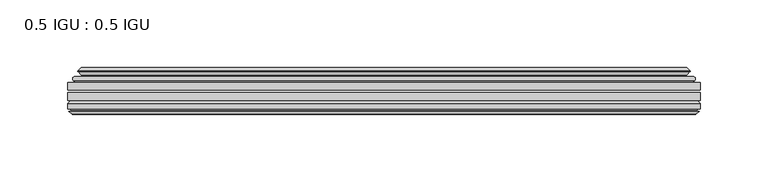
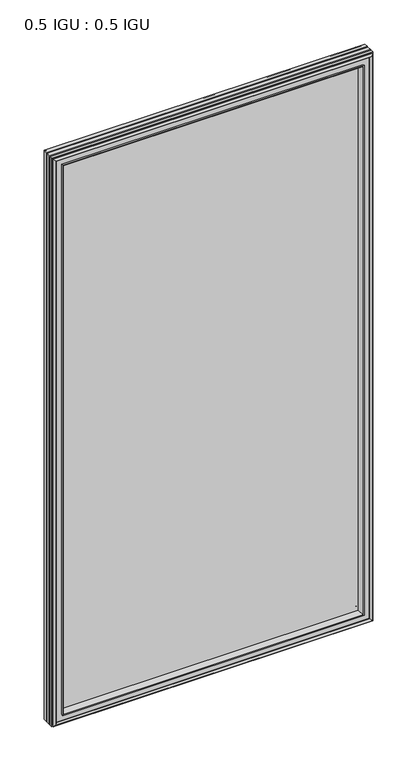
"""IFC4 building model written with IfcOpenShell, lengths in millimetres: plate geometry, 0.5 IGU : 0.5 IGU."""

from ifc_helpers import new_model, si_unit, frame, origin, place, context, project, spatial, polyline, ellipse_curve, outline, extrude, faceted_brep, source, transform, mapped, element, save
from ifc_brep_helpers import plane_surface, cylinder_surface, revolved_surface, advanced_brep


def plate_0_5_igu_0_5_igu_2bba60f0(model_context):
    return source(origin(), model_context, "Body", "SolidModel", [
        extrude(outline(polyline([(233.376675, -55.82285), (233.376675, -61.48705), (-233.3625, -61.48705), (-233.3625, -55.82285), (233.376675, -55.82285)])), frame((0.0, 0.0, -14.2875), z_axis=(0.0, 0.0, 1.0), x_axis=(1.0, 0.0, 0.0)), (0.0, 0.0, 1.0), 873.1287979),
        extrude(outline(polyline([(-233.3625, -69.05625), (-233.3625, -63.39205), (233.376675, -63.39205), (233.376675, -69.05625), (-233.3625, -69.05625)])), frame((0.0, 0.0, -14.2875), z_axis=(0.0, 0.0, 1.0), x_axis=(1.0, 0.0, 0.0)), (0.0, 0.0, 1.0), 873.1287979),
        advanced_brep(
        [(-229.2599626, -54.3724927, 854.7349626), (-228.2154378, -51.60645, 853.6904378), (-228.2154378, -51.60645, -9.1404378), (-229.2599626, -54.3724927, -10.1849626), (-227.623517, -55.82285, 853.098517), (-227.623517, -55.82285, -8.548517), (-219.075, -45.63745, 844.55), (-215.4922761, -55.82285, 840.9672761), (-215.4922761, -55.82285, 3.5827239), (-219.075, -45.63745, 0.0), (-224.2609109, -46.8185491, 849.7359109), (-224.2609109, -46.8185491, -5.1859109), (-223.4638893, -44.8183085, 848.9388893), (-223.4638893, -44.8183085, -4.3888893), (-225.7476111, -47.135817, 851.2226111), (-225.7476111, -47.135817, -6.6726111), (-225.7476111, -47.8489429, 851.2226111), (-225.7476111, -47.8489429, -6.6726111), (-223.4638893, -50.1664515, 848.9388893), (-223.4638893, -50.1664515, -4.3888893), (-224.2532501, -48.1854367, 849.7282501), (-224.2532501, -48.1854367, -5.1782501), (-221.7294379, -48.027045, 847.2044379), (-221.7294379, -48.027045, -2.6544379), (-220.7036217, -48.7147544, 846.1786217), (-220.7036217, -48.7147544, -1.6286217), (-220.8220288, -50.1092231, 846.2970288), (-220.8220288, -50.1092231, -1.7470288), (-221.4237748, -51.60645, 846.8987748), (-221.4237748, -51.60645, -2.3487748), (228.2154378, -51.60645, -9.1404378), (229.2599626, -54.3724927, -10.1849626), (227.623517, -55.82285, -8.548517), (215.4922761, -55.82285, 3.5827239), (219.075, -45.63745, 0.0), (224.2609109, -46.8185491, -5.1859109), (223.4638893, -44.8183085, -4.3888893), (225.7476111, -47.135817, -6.6726111), (225.7476111, -47.8489429, -6.6726111), (223.4638893, -50.1664515, -4.3888893), (224.2532501, -48.1854367, -5.1782501), (221.7294379, -48.027045, -2.6544379), (220.7036217, -48.7147544, -1.6286217), (220.8220288, -50.1092231, -1.7470288), (221.4237748, -51.60645, -2.3487748), (228.2154378, -51.60645, 853.6904378), (229.2599626, -54.3724927, 854.7349626), (227.623517, -55.82285, 853.098517), (215.4922761, -55.82285, 840.9672761), (219.075, -45.63745, 844.55), (224.2609109, -46.8185491, 849.7359109), (223.4638893, -44.8183085, 848.9388893), (225.7476111, -47.135817, 851.2226111), (225.7476111, -47.8489429, 851.2226111), (223.4638893, -50.1664515, 848.9388893), (224.2532501, -48.1854367, 849.7282501), (221.7294379, -48.027045, 847.2044379), (220.7036217, -48.7147544, 846.1786217), (220.8220288, -50.1092231, 846.2970288), (221.4237748, -51.60645, 846.8987748)],
        [
            (0, 1, ellipse_curve(frame((-228.2070703, -53.1898501, 853.6820703), z_axis=(-0.7071067811865475, 0.0, -0.7071067811865475), x_axis=(-0.7071067811865474, 0.0, 0.7071067811865476)), 2.2392971, 1.5834222)),
            (1, 2),
            (2, 3, ellipse_curve(frame((-228.2070703, -53.1898501, -9.1320703), z_axis=(-0.7071067811865475, 0.0, 0.7071067811865475), x_axis=(0.7071067811865474, 0.0, 0.7071067811865476)), 2.2392971, 1.5834222)),
            (3, 0),
            (4, 0),
            (3, 5),
            (5, 4),
            (6, 7, ellipse_curve(frame((-186.795246, -40.0058297, 812.270246), z_axis=(0.7071067811865475, 0.0, 0.7071067811865475), x_axis=(0.7071067811865474, 0.0, -0.7071067811865476)), 46.3399971, 32.7673262)),
            (7, 8),
            (8, 9, ellipse_curve(frame((-186.795246, -40.0058297, 32.279754), z_axis=(0.7071067811865475, 0.0, -0.7071067811865475), x_axis=(-0.7071067811865474, 0.0, -0.7071067811865476)), 46.3399971, 32.7673262)),
            (9, 6),
            (10, 6),
            (9, 11),
            (11, 10),
            (12, 10),
            (11, 13),
            (13, 12),
            (14, 12),
            (13, 15),
            (15, 14),
            (16, 14, ellipse_curve(frame((-225.3857729, -47.49238, 850.8607729), z_axis=(-0.7071067811865475, 0.0, -0.7071067811865475), x_axis=(-0.7071067811865474, 0.0, 0.7071067811865476)), 0.7184205, 0.508)),
            (15, 17, ellipse_curve(frame((-225.3857729, -47.49238, -6.3107729), z_axis=(-0.7071067811865475, 0.0, 0.7071067811865475), x_axis=(0.7071067811865474, 0.0, 0.7071067811865476)), 0.7184205, 0.508)),
            (17, 16),
            (18, 16),
            (17, 19),
            (19, 18),
            (20, 18),
            (19, 21),
            (21, 20),
            (22, 20),
            (21, 23),
            (23, 22),
            (24, 22, ellipse_curve(frame((-221.6658, -49.04105, 847.1408), z_axis=(0.7071067811865475, 0.0, 0.7071067811865475), x_axis=(0.7071067811865474, 0.0, -0.7071067811865476)), 1.436841, 1.016)),
            (23, 25, ellipse_curve(frame((-221.6658, -49.04105, -2.5908), z_axis=(0.7071067811865475, 0.0, -0.7071067811865475), x_axis=(-0.7071067811865474, 0.0, -0.7071067811865476)), 1.436841, 1.016)),
            (25, 24),
            (26, 24, ellipse_curve(frame((-223.0374, -49.21885, 848.5124), z_axis=(0.7071067811865475, 0.0, 0.7071067811865475), x_axis=(0.7071067811865474, 0.0, -0.7071067811865476)), 3.3765763, 2.3876)),
            (25, 27, ellipse_curve(frame((-223.0374, -49.21885, -3.9624), z_axis=(0.7071067811865475, 0.0, -0.7071067811865475), x_axis=(-0.7071067811865474, 0.0, -0.7071067811865476)), 3.3765763, 2.3876)),
            (27, 26),
            (28, 26),
            (27, 29),
            (29, 28),
            (2, 30),
            (30, 31, ellipse_curve(frame((228.2070703, -53.1898501, -9.1320703), z_axis=(-0.7071067811865475, 0.0, -0.7071067811865475), x_axis=(-0.7071067811865476, 0.0, 0.7071067811865474)), 2.2392971, 1.5834222)),
            (31, 3),
            (31, 32),
            (32, 5),
            (8, 33),
            (33, 34, ellipse_curve(frame((186.795246, -40.0058297, 32.279754), z_axis=(0.7071067811865475, 0.0, 0.7071067811865475), x_axis=(0.7071067811865476, 0.0, -0.7071067811865474)), 46.3399971, 32.7673262)),
            (34, 9),
            (34, 35),
            (35, 11),
            (35, 36),
            (36, 13),
            (36, 37),
            (37, 15),
            (37, 38, ellipse_curve(frame((225.3857729, -47.49238, -6.3107729), z_axis=(-0.7071067811865475, 0.0, -0.7071067811865475), x_axis=(-0.7071067811865476, 0.0, 0.7071067811865474)), 0.7184205, 0.508)),
            (38, 17),
            (38, 39),
            (39, 19),
            (39, 40),
            (40, 21),
            (40, 41),
            (41, 23),
            (41, 42, ellipse_curve(frame((221.6658, -49.04105, -2.5908), z_axis=(0.7071067811865475, 0.0, 0.7071067811865475), x_axis=(0.7071067811865476, 0.0, -0.7071067811865474)), 1.436841, 1.016)),
            (42, 25),
            (42, 43, ellipse_curve(frame((223.0374, -49.21885, -3.9624), z_axis=(0.7071067811865475, 0.0, 0.7071067811865475), x_axis=(0.7071067811865476, 0.0, -0.7071067811865474)), 3.3765763, 2.3876)),
            (43, 27),
            (43, 44),
            (44, 29),
            (30, 45),
            (45, 46, ellipse_curve(frame((228.2070703, -53.1898501, 853.6820703), z_axis=(0.7071067811865475, 0.0, -0.7071067811865475), x_axis=(-0.7071067811865474, 0.0, -0.7071067811865476)), 2.2392971, 1.5834222)),
            (46, 31),
            (46, 47),
            (47, 32),
            (33, 48),
            (48, 49, ellipse_curve(frame((186.795246, -40.0058297, 812.270246), z_axis=(-0.7071067811865475, 0.0, 0.7071067811865475), x_axis=(0.7071067811865474, 0.0, 0.7071067811865476)), 46.3399971, 32.7673262)),
            (49, 34),
            (49, 50),
            (50, 35),
            (50, 51),
            (51, 36),
            (51, 52),
            (52, 37),
            (52, 53, ellipse_curve(frame((225.3857729, -47.49238, 850.8607729), z_axis=(0.7071067811865475, 0.0, -0.7071067811865475), x_axis=(-0.7071067811865474, 0.0, -0.7071067811865476)), 0.7184205, 0.508)),
            (53, 38),
            (53, 54),
            (54, 39),
            (54, 55),
            (55, 40),
            (55, 56),
            (56, 41),
            (56, 57, ellipse_curve(frame((221.6658, -49.04105, 847.1408), z_axis=(-0.7071067811865475, 0.0, 0.7071067811865475), x_axis=(0.7071067811865474, 0.0, 0.7071067811865476)), 1.436841, 1.016)),
            (57, 42),
            (57, 58, ellipse_curve(frame((223.0374, -49.21885, 848.5124), z_axis=(-0.7071067811865475, 0.0, 0.7071067811865475), x_axis=(0.7071067811865474, 0.0, 0.7071067811865476)), 3.3765763, 2.3876)),
            (58, 43),
            (58, 59),
            (59, 44),
            (45, 1),
            (0, 46),
            (4, 47),
            (7, 48),
            (6, 49),
            (10, 50),
            (12, 51),
            (14, 52),
            (16, 53),
            (18, 54),
            (20, 55),
            (22, 56),
            (24, 57),
            (26, 58),
            (28, 59),
        ],
        [
            cylinder_surface(frame((-228.2070703, -53.1898501, 876.3), z_axis=(0.0, 0.0, 1.0), x_axis=(-1.0, 0.0, 0.0)), 1.5834222),
            plane_surface(frame((-229.2599626, -54.3724927, 854.7349626), z_axis=(-0.6632745773184306, -0.7483761320907135, 0.0), x_axis=(0.0, 0.0, -1.0))),
            revolved_surface(polyline([(-219.56257219999998, -40.0058297, -0.48757218957496207), (-219.56257219999998, -40.0058297, 845.037572189575)]), (-186.795246, -40.0058297, 876.3), (0.0, 0.0, -1.0)),
            plane_surface(frame((-219.075, -45.63745, 844.55), z_axis=(-0.22206498442787428, 0.975031867525902, 0.0), x_axis=(0.0, 0.0, -1.0))),
            plane_surface(frame((-224.2609109, -46.8185491, 849.7359109), z_axis=(0.928968268563027, -0.37015936568323066, 0.0), x_axis=(0.0, 0.0, -1.0))),
            plane_surface(frame((-223.4638893, -44.8183085, 848.9388893), z_axis=(-0.7122798501733482, 0.7018955869907096, 0.0), x_axis=(0.0, 0.0, -1.0))),
            cylinder_surface(frame((-225.3857729, -47.49238, 876.3), z_axis=(0.0, 0.0, 1.0), x_axis=(-1.0, 0.0, 0.0)), 0.508),
            plane_surface(frame((-225.7476111, -47.8489429, 851.2226111), z_axis=(-0.7122798501732925, -0.701895586990766, 0.0), x_axis=(0.0, 0.0, -1.0))),
            plane_surface(frame((-223.4638893, -50.1664515, 848.9388893), z_axis=(0.9289682685628707, 0.3701593656836228, 0.0), x_axis=(0.0, 0.0, -1.0))),
            plane_surface(frame((-224.2532501, -48.1854367, 849.7282501), z_axis=(0.06263570119284978, -0.9980364567169279, 0.0), x_axis=(0.0, 0.0, -1.0))),
            revolved_surface(polyline([(-222.68179999999998, -49.04105, -3.606800014586838), (-222.68179999999998, -49.04105, 848.1568000145869)]), (-221.6658, -49.04105, 876.3), (0.0, 0.0, -1.0)),
            revolved_surface(polyline([(-225.42499999999998, -49.21885, -6.3499999989237494), (-225.42499999999998, -49.21885, 850.8999999989237)]), (-223.0374, -49.21885, 876.3), (0.0, 0.0, -1.0)),
            plane_surface(frame((-220.8220288, -50.1092231, 846.2970288), z_axis=(-0.9278652925428184, 0.3729155385532094, 0.0), x_axis=(0.0, 0.0, -1.0))),
            cylinder_surface(frame((-250.825, -53.1898501, -9.1320703), z_axis=(-1.0, 0.0, 0.0), x_axis=(0.0, 0.0, -1.0)), 1.5834222),
            plane_surface(frame((-229.2599626, -54.3724927, -10.1849626), z_axis=(0.0, -0.7483761320907157, -0.6632745773184283), x_axis=(1.0, 0.0, 0.0))),
            revolved_surface(polyline([(219.5625721895749, -40.0058297, -0.48757220000000245), (-219.56257218957492, -40.0058297, -0.48757220000000245)]), (-250.825, -40.0058297, 32.279754), (1.0, 0.0, 0.0)),
            plane_surface(frame((-219.075, -45.63745, 0.0), z_axis=(0.0, 0.9750318675259013, -0.22206498442787745), x_axis=(1.0, 0.0, 0.0))),
            plane_surface(frame((-224.2609109, -46.8185491, -5.1859109), z_axis=(0.0, -0.37015936568322766, 0.9289682685630283), x_axis=(1.0, 0.0, 0.0))),
            plane_surface(frame((-223.4638893, -44.8183085, -4.3888893), z_axis=(0.0, 0.7018955869907073, -0.7122798501733504), x_axis=(1.0, 0.0, 0.0))),
            cylinder_surface(frame((-250.825, -47.49238, -6.3107729), z_axis=(-1.0, 0.0, 0.0), x_axis=(0.0, 0.0, -1.0)), 0.508),
            plane_surface(frame((-225.7476111, -47.8489429, -6.6726111), z_axis=(0.0, -0.7018955869907684, -0.7122798501732903), x_axis=(1.0, 0.0, 0.0))),
            plane_surface(frame((-223.4638893, -50.1664515, -4.3888893), z_axis=(0.0, 0.37015936568362584, 0.9289682685628696), x_axis=(1.0, 0.0, 0.0))),
            plane_surface(frame((-224.2532501, -48.1854367, -5.1782501), z_axis=(0.0, -0.9980364567169276, 0.06263570119285301), x_axis=(1.0, 0.0, 0.0))),
            revolved_surface(polyline([(222.68180001458683, -49.04105, -3.6068000000000002), (-222.68180001458686, -49.04105, -3.6068000000000002)]), (-250.825, -49.04105, -2.5908), (1.0, 0.0, 0.0)),
            revolved_surface(polyline([(225.4249999989238, -49.21885, -6.35), (-225.42499999892377, -49.21885, -6.35)]), (-250.825, -49.21885, -3.9624), (1.0, 0.0, 0.0)),
            plane_surface(frame((-220.8220288, -50.1092231, -1.7470288), z_axis=(0.0, 0.3729155385532064, -0.9278652925428196), x_axis=(1.0, 0.0, 0.0))),
            cylinder_surface(frame((228.2070703, -53.1898501, -31.75), z_axis=(0.0, 0.0, -1.0), x_axis=(1.0, 0.0, 0.0)), 1.5834222),
            plane_surface(frame((229.2599626, -54.3724927, -10.1849626), z_axis=(0.6632745773184259, -0.7483761320907178, 0.0), x_axis=(0.0, 0.0, 1.0))),
            revolved_surface(polyline([(219.56257219999998, -40.0058297, 845.037572189575), (219.56257219999998, -40.0058297, -0.48757218957494075)]), (186.795246, -40.0058297, -31.75), (0.0, 0.0, 1.0)),
            plane_surface(frame((219.075, -45.63745, 0.0), z_axis=(0.22206498442788059, 0.9750318675259005, 0.0), x_axis=(0.0, 0.0, 1.0))),
            plane_surface(frame((224.2609109, -46.8185491, -5.1859109), z_axis=(-0.9289682685630295, -0.37015936568322466, 0.0), x_axis=(0.0, 0.0, 1.0))),
            plane_surface(frame((223.4638893, -44.8183085, -4.3888893), z_axis=(0.7122798501733526, 0.701895586990705, 0.0), x_axis=(0.0, 0.0, 1.0))),
            cylinder_surface(frame((225.3857729, -47.49238, -31.75), z_axis=(0.0, 0.0, -1.0), x_axis=(1.0, 0.0, 0.0)), 0.508),
            plane_surface(frame((225.7476111, -47.8489429, -6.6726111), z_axis=(0.712279850173288, -0.7018955869907706, 0.0), x_axis=(0.0, 0.0, 1.0))),
            plane_surface(frame((223.4638893, -50.1664515, -4.3888893), z_axis=(-0.9289682685628684, 0.37015936568362884, 0.0), x_axis=(0.0, 0.0, 1.0))),
            plane_surface(frame((224.2532501, -48.1854367, -5.1782501), z_axis=(-0.06263570119285625, -0.9980364567169274, 0.0), x_axis=(0.0, 0.0, 1.0))),
            revolved_surface(polyline([(222.68179999999998, -49.04105, 848.1568000145869), (222.68179999999998, -49.04105, -3.606800014586863)]), (221.6658, -49.04105, -31.75), (0.0, 0.0, 1.0)),
            revolved_surface(polyline([(225.42499999999998, -49.21885, 850.8999999989237), (225.42499999999998, -49.21885, -6.349999998923781)]), (223.0374, -49.21885, -31.75), (0.0, 0.0, 1.0)),
            plane_surface(frame((220.8220288, -50.1092231, -1.7470288), z_axis=(0.9278652925428208, 0.3729155385532034, 0.0), x_axis=(0.0, 0.0, 1.0))),
            cylinder_surface(frame((250.825, -53.1898501, 853.6820703), z_axis=(1.0, 0.0, 0.0), x_axis=(0.0, 0.0, 1.0)), 1.5834222),
            plane_surface(frame((229.2599626, -54.3724927, 854.7349626), z_axis=(0.0, -0.7483761320907157, 0.6632745773184283), x_axis=(-1.0, 0.0, 0.0))),
            plane_surface(frame((227.623517, -55.82285, 853.098517), z_axis=(0.0, -1.0, 0.0), x_axis=(-1.0, 0.0, 0.0))),
            revolved_surface(polyline([(-219.5625721895749, -40.0058297, 845.0375722), (219.56257218957492, -40.0058297, 845.0375722)]), (250.825, -40.0058297, 812.270246), (-1.0, 0.0, 0.0)),
            plane_surface(frame((219.075, -45.63745, 844.55), z_axis=(0.0, 0.9750318675259012, 0.22206498442787742), x_axis=(-1.0, 0.0, 0.0))),
            plane_surface(frame((224.2609109, -46.8185491, 849.7359109), z_axis=(0.0, -0.37015936568322766, -0.9289682685630283), x_axis=(-1.0, 0.0, 0.0))),
            plane_surface(frame((223.4638893, -44.8183085, 848.9388893), z_axis=(0.0, 0.7018955869907073, 0.7122798501733504), x_axis=(-1.0, 0.0, 0.0))),
            cylinder_surface(frame((250.825, -47.49238, 850.8607729), z_axis=(1.0, 0.0, 0.0), x_axis=(0.0, 0.0, 1.0)), 0.508),
            plane_surface(frame((225.7476111, -47.8489429, 851.2226111), z_axis=(0.0, -0.7018955869907684, 0.7122798501732903), x_axis=(-1.0, 0.0, 0.0))),
            plane_surface(frame((223.4638893, -50.1664515, 848.9388893), z_axis=(0.0, 0.37015936568362584, -0.9289682685628696), x_axis=(-1.0, 0.0, 0.0))),
            plane_surface(frame((224.2532501, -48.1854367, 849.7282501), z_axis=(0.0, -0.9980364567169276, -0.06263570119285301), x_axis=(-1.0, 0.0, 0.0))),
            revolved_surface(polyline([(-222.68180001458683, -49.04105, 848.1568), (222.68180001458686, -49.04105, 848.1568)]), (250.825, -49.04105, 847.1408), (-1.0, 0.0, 0.0)),
            revolved_surface(polyline([(-225.4249999989238, -49.21885, 850.9), (225.42499999892377, -49.21885, 850.9)]), (250.825, -49.21885, 848.5124), (-1.0, 0.0, 0.0)),
            plane_surface(frame((220.8220288, -50.1092231, 846.2970288), z_axis=(0.0, 0.3729155385532064, 0.9278652925428196), x_axis=(-1.0, 0.0, 0.0))),
            plane_surface(frame((221.4237748, -51.60645, 846.8987748), z_axis=(0.0, 1.0, 0.0), x_axis=(-1.0, 0.0, 0.0))),
        ],
        [
            (0, [[1, 2, 3, 4]]),
            (1, [[5, -4, 6, 7]]),
            (2, [[8, 9, 10, 11]]),
            (3, [[12, -11, 13, 14]]),
            (4, [[15, -14, 16, 17]]),
            (5, [[18, -17, 19, 20]]),
            (6, [[21, -20, 22, 23]]),
            (7, [[24, -23, 25, 26]]),
            (8, [[27, -26, 28, 29]]),
            (9, [[30, -29, 31, 32]]),
            (10, [[33, -32, 34, 35]]),
            (11, [[36, -35, 37, 38]]),
            (12, [[39, -38, 40, 41]]),
            (13, [[-3, 42, 43, 44]]),
            (14, [[-6, -44, 45, 46]]),
            (15, [[-10, 47, 48, 49]]),
            (16, [[-13, -49, 50, 51]]),
            (17, [[-16, -51, 52, 53]]),
            (18, [[-19, -53, 54, 55]]),
            (19, [[-22, -55, 56, 57]]),
            (20, [[-25, -57, 58, 59]]),
            (21, [[-28, -59, 60, 61]]),
            (22, [[-31, -61, 62, 63]]),
            (23, [[-34, -63, 64, 65]]),
            (24, [[-37, -65, 66, 67]]),
            (25, [[-40, -67, 68, 69]]),
            (26, [[-43, 70, 71, 72]]),
            (27, [[-45, -72, 73, 74]]),
            (28, [[-48, 75, 76, 77]]),
            (29, [[-50, -77, 78, 79]]),
            (30, [[-52, -79, 80, 81]]),
            (31, [[-54, -81, 82, 83]]),
            (32, [[-56, -83, 84, 85]]),
            (33, [[-58, -85, 86, 87]]),
            (34, [[-60, -87, 88, 89]]),
            (35, [[-62, -89, 90, 91]]),
            (36, [[-64, -91, 92, 93]]),
            (37, [[-66, -93, 94, 95]]),
            (38, [[-68, -95, 96, 97]]),
            (39, [[-71, 98, -1, 99]]),
            (40, [[-73, -99, -5, 100]]),
            (41, [[-46, -74, -100, -7], [101, -75, -47, -9]]),
            (42, [[-76, -101, -8, 102]]),
            (43, [[-78, -102, -12, 103]]),
            (44, [[-80, -103, -15, 104]]),
            (45, [[-82, -104, -18, 105]]),
            (46, [[-84, -105, -21, 106]]),
            (47, [[-86, -106, -24, 107]]),
            (48, [[-88, -107, -27, 108]]),
            (49, [[-90, -108, -30, 109]]),
            (50, [[-92, -109, -33, 110]]),
            (51, [[-94, -110, -36, 111]]),
            (52, [[-96, -111, -39, 112]]),
            (53, [[-98, -70, -42, -2], [-69, -97, -112, -41]]),
        ],
    ),
        faceted_brep([(-215.2207827, -69.05625, 840.6957827), (-217.7870798, -77.94625, 843.2620798), (-217.7870798, -77.94625, 1.2879202), (-215.2207827, -69.05625, 3.8542173), (-233.3752, -71.2633102, 858.8502), (-231.1681398, -69.05625, 856.6431398), (-231.1681398, -69.05625, -12.0931398), (-233.3752, -71.2633102, -14.3002), (-233.3752, -75.40625, 858.8502), (-233.3752, -75.40625, -14.3002), (-230.9561775, -76.58989, 856.4311775), (-231.8258, -75.40625, 857.3008), (-231.8258, -75.40625, -12.7508), (-230.9561775, -76.58989, -11.8811775), (-230.759, -77.8875884, 856.234), (-230.759, -77.8875884, -11.684), (-231.73466, -77.3578917, 857.20966), (-231.73466, -77.3578917, -12.65966), (-230.2002, -79.1749663, 855.6752), (-232.5273305, -77.3578917, 858.0023305), (-232.5273305, -77.3578917, -13.4523305), (-230.2002, -79.1749663, -11.1252), (-227.8730695, -77.3578917, 853.3480695), (-227.8730695, -77.3578917, -8.7980695), (-229.6414, -77.8875884, 855.1164), (-228.66574, -77.3578917, 854.14074), (-228.66574, -77.3578917, -9.59074), (-229.6414, -77.8875884, -10.5664), (-229.4442225, -76.58989, 854.9192225), (-229.4442225, -76.58989, -10.3692225), (-228.5746, -75.40625, 854.0496), (-228.5746, -75.40625, -9.4996), (-219.4263667, -77.94625, 844.9013667), (-218.8972, -75.40625, 844.3722), (-218.8972, -75.40625, 0.1778), (-219.4263667, -77.94625, -0.3513667), (217.7870798, -77.94625, 1.2879202), (215.2207827, -69.05625, 3.8542173), (231.1681398, -69.05625, -12.0931398), (233.3752, -71.2633102, -14.3002), (233.3752, -75.40625, -14.3002), (231.8258, -75.40625, -12.7508), (230.9561775, -76.58989, -11.8811775), (230.759, -77.8875884, -11.684), (231.73466, -77.3578917, -12.65966), (232.5273305, -77.3578917, -13.4523305), (230.2002, -79.1749663, -11.1252), (227.8730695, -77.3578917, -8.7980695), (228.66574, -77.3578917, -9.59074), (229.6414, -77.8875884, -10.5664), (229.4442225, -76.58989, -10.3692225), (228.5746, -75.40625, -9.4996), (218.8972, -75.40625, 0.1778), (219.4263667, -77.94625, -0.3513667), (217.7870798, -77.94625, 843.2620798), (215.2207827, -69.05625, 840.6957827), (231.1681398, -69.05625, 856.6431398), (233.3752, -71.2633102, 858.8502), (233.3752, -75.40625, 858.8502), (231.8258, -75.40625, 857.3008), (230.9561775, -76.58989, 856.4311775), (230.759, -77.8875884, 856.234), (231.73466, -77.3578917, 857.20966), (232.5273305, -77.3578917, 858.0023305), (230.2002, -79.1749663, 855.6752), (227.8730695, -77.3578917, 853.3480695), (228.66574, -77.3578917, 854.14074), (229.6414, -77.8875884, 855.1164), (229.4442225, -76.58989, 854.9192225), (228.5746, -75.40625, 854.0496), (218.8972, -75.40625, 844.3722), (219.4263667, -77.94625, 844.9013667)], [[[0, 1, 2, 3]], [[4, 5, 6, 7]], [[8, 4, 7, 9]], [[10, 11, 12, 13]], [[14, 10, 13, 15]], [[16, 14, 15, 17]], [[18, 19, 20, 21]], [[22, 18, 21, 23]], [[24, 25, 26, 27]], [[28, 24, 27, 29]], [[30, 28, 29, 31]], [[32, 33, 34, 35]], [[3, 2, 36, 37]], [[7, 6, 38, 39]], [[9, 7, 39, 40]], [[13, 12, 41, 42]], [[15, 13, 42, 43]], [[17, 15, 43, 44]], [[21, 20, 45, 46]], [[23, 21, 46, 47]], [[27, 26, 48, 49]], [[29, 27, 49, 50]], [[31, 29, 50, 51]], [[35, 34, 52, 53]], [[37, 36, 54, 55]], [[39, 38, 56, 57]], [[40, 39, 57, 58]], [[42, 41, 59, 60]], [[43, 42, 60, 61]], [[44, 43, 61, 62]], [[46, 45, 63, 64]], [[47, 46, 64, 65]], [[49, 48, 66, 67]], [[50, 49, 67, 68]], [[51, 50, 68, 69]], [[53, 52, 70, 71]], [[55, 54, 1, 0]], [[5, 56, 38, 6], [3, 37, 55, 0]], [[57, 56, 5, 4]], [[58, 57, 4, 8]], [[9, 40, 58, 8], [11, 59, 41, 12]], [[60, 59, 11, 10]], [[61, 60, 10, 14]], [[62, 61, 14, 16]], [[19, 63, 45, 20], [17, 44, 62, 16]], [[64, 63, 19, 18]], [[65, 64, 18, 22]], [[25, 66, 48, 26], [23, 47, 65, 22]], [[67, 66, 25, 24]], [[68, 67, 24, 28]], [[69, 68, 28, 30]], [[31, 51, 69, 30], [33, 70, 52, 34]], [[71, 70, 33, 32]], [[35, 53, 71, 32], [1, 54, 36, 2]]]),
    ])


if __name__ == "__main__":
    model = new_model("IFC4")
    model_context = context("Model", 3, world=origin())
    ifc_project = project(units=[si_unit("LENGTHUNIT", "METRE", prefix="MILLI")], contexts=[model_context])
    site = spatial("IfcSite", under=ifc_project)
    building = spatial("IfcBuilding", under=site)
    placement = place(None, origin())
    plate_0_5_igu_0_5_igu_shape = plate_0_5_igu_0_5_igu_2bba60f0(model_context)
    element("IfcPlate", 1, ObjectType="0.5 IGU : 0.5 IGU", at=placement, inside=building, context=model_context, shape_type="MappedRepresentation", body=[
        mapped(plate_0_5_igu_0_5_igu_shape, transform((0.0, 0.0, 0.0), x_axis=(1.0, 0.0, 0.0), y_axis=(0.0, 1.0, 0.0), z_axis=(0.0, 0.0, 1.0))),
    ])
    save(model, "model.ifc")
